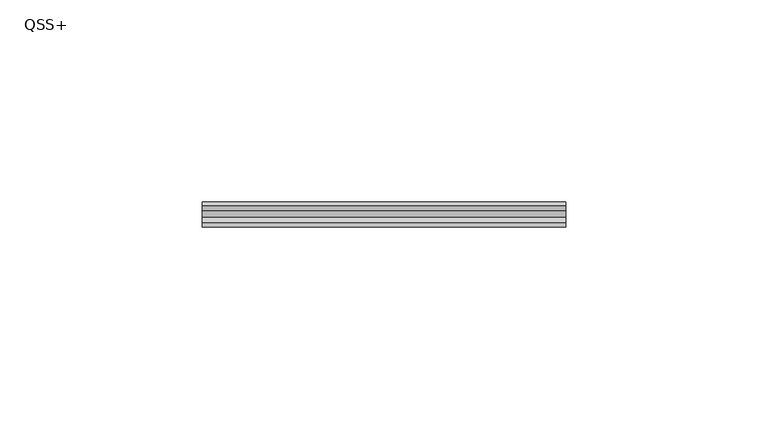
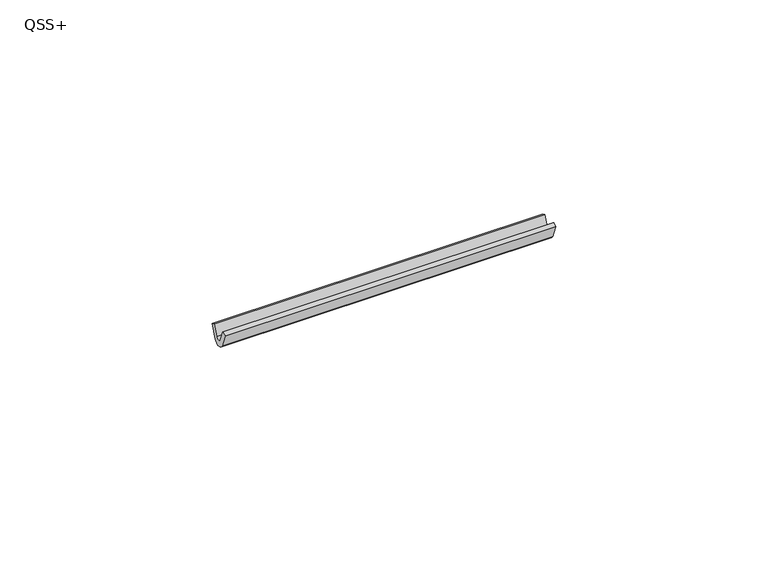
"""IFC4 building model written with IfcOpenShell, lengths in millimetres: proxy geometry, QSS+."""

import ifcopenshell
import ifcopenshell.guid

model = None  # the IFC model being written
_history = None  # IfcOwnerHistory: only IFC2X3 demands one
_inside = {}  # id of a spatial element -> (the spatial element, [elements in it])
_under = {}  # id of a project, library or spatial element -> (it, [spatial elements below it])
_declared = {}  # id of a project -> (the project, [libraries it declares])
_typed = {}  # id of a type object -> (the type object, [elements of that type])
_made_of = {}  # id of a material, layer set ... -> (it, [elements and type objects made of it])


def new_model(schema):
    """Start an empty IFC model of exactly this schema.

    Asked for "IFC4X3", IfcOpenShell would pick the latest addendum, in which some entities
    have other attributes; the version numbers below select the first issue.
    IFC2X3 requires an IfcOwnerHistory on every rooted entity: one is made here for all.
    """
    global model, _history
    if schema == "IFC4X3":
        model = ifcopenshell.file(schema_version=(4, 3, 0, 0))
    else:
        model = ifcopenshell.file(schema=schema)
    _inside.clear()
    _under.clear()
    _declared.clear()
    _typed.clear()
    _made_of.clear()
    _history = None
    if model.schema == "IFC2X3":
        org = make("IfcOrganization", Name="unknown")
        user = make(
            "IfcPersonAndOrganization",
            ThePerson=make("IfcPerson", FamilyName="unknown"),
            TheOrganization=org,
        )
        app = make(
            "IfcApplication",
            ApplicationDeveloper=org,
            Version="unknown",
            ApplicationFullName="unknown",
            ApplicationIdentifier="unknown",
        )
        _history = make(
            "IfcOwnerHistory",
            OwningUser=user,
            OwningApplication=app,
            ChangeAction="ADDED",
            CreationDate=0,
        )
    return model


def make(cls, **values):
    """One entity of the class cls with the attributes given. An attribute that is None is left unset."""
    return model.create_entity(
        cls, **{name: value for name, value in values.items() if value is not None}
    )


def rooted(cls, **values):
    """An entity with a GlobalId (a new one), such as an element, a storey or a relation."""
    return make(cls, GlobalId=ifcopenshell.guid.new(), OwnerHistory=_history, **values)


def si_unit(unit_type, name, prefix=None):
    """IfcSIUnit, for example si_unit("LENGTHUNIT", "METRE", prefix="MILLI")."""
    return make("IfcSIUnit", UnitType=unit_type, Prefix=prefix, Name=name)


def assignment(units):
    """IfcUnitAssignment: the units of a project."""
    return None if units is None else make("IfcUnitAssignment", Units=units)


def point(xyz):
    """IfcCartesianPoint."""
    return None if xyz is None else make("IfcCartesianPoint", Coordinates=xyz)


def direction(xyz):
    """IfcDirection."""
    return None if xyz is None else make("IfcDirection", DirectionRatios=xyz)


def frame(location, z_axis=None, x_axis=None):
    """IfcAxis2Placement3D, a coordinate frame: its origin and axes. An axis left out is left unset."""
    return make(
        "IfcAxis2Placement3D",
        Location=point(location),
        Axis=direction(z_axis),
        RefDirection=direction(x_axis),
    )


def frame_2d(location, x_axis=None):
    """IfcAxis2Placement2D, a coordinate frame in the plane: its origin and x axis."""
    return make(
        "IfcAxis2Placement2D", Location=point(location), RefDirection=direction(x_axis)
    )


def origin():
    """The frame at (0, 0, 0) with its axes left unset."""
    return frame((0.0, 0.0, 0.0))


def place(relative_to, where):
    """IfcLocalPlacement: puts the frame where relative to a parent placement (None: the world)."""
    return make(
        "IfcLocalPlacement", PlacementRelTo=relative_to, RelativePlacement=where
    )


def context(
    kind, dimensions, precision=None, world=None, true_north=None, identifier=None
):
    """IfcGeometricRepresentationContext, for example the 3D "Model" context."""
    return make(
        "IfcGeometricRepresentationContext",
        ContextIdentifier=identifier,
        ContextType=kind,
        CoordinateSpaceDimension=dimensions,
        Precision=precision,
        WorldCoordinateSystem=world,
        TrueNorth=true_north,
    )


def project(units=None, contexts=None):
    """IfcProject with its units and contexts."""
    return rooted(
        "IfcProject",
        Name="project",
        RepresentationContexts=contexts,
        UnitsInContext=assignment(units),
    )


def spatial(cls, under=None, at=None, **own):
    """A site, building, storey or space (cls), placed at a placement, below another one or the project."""
    s = rooted(cls, ObjectPlacement=at, **own)
    if under is not None:
        _under.setdefault(under.id(), (under, []))[1].append(s)
    return s


def polyline(points):
    """IfcPolyline through the points."""
    return make("IfcPolyline", Points=[point(p) for p in points])


def circle_curve(where, radius):
    """IfcCircle in the frame where."""
    return make("IfcCircle", Position=where, Radius=radius)


def trimmed(basis, trim1, trim2, sense, master):
    """IfcTrimmedCurve: the piece of a basis curve between two trims."""
    return make(
        "IfcTrimmedCurve",
        BasisCurve=basis,
        Trim1=trim1,
        Trim2=trim2,
        SenseAgreement=sense,
        MasterRepresentation=master,
    )


def segment(curve, same_sense, transition):
    """IfcCompositeCurveSegment."""
    return make(
        "IfcCompositeCurveSegment",
        Transition=transition,
        SameSense=same_sense,
        ParentCurve=curve,
    )


def composite_curve(segments, self_intersect=None):
    """IfcCompositeCurve: segments joined end to end."""
    return make("IfcCompositeCurve", Segments=segments, SelfIntersect=self_intersect)


def outline(outer, holes=None, kind="AREA"):
    """IfcArbitraryClosedProfileDef: a profile drawn as a closed curve; with holes, ...WithVoids."""
    if holes is None:
        return make("IfcArbitraryClosedProfileDef", ProfileType=kind, OuterCurve=outer)
    return make(
        "IfcArbitraryProfileDefWithVoids",
        ProfileType=kind,
        OuterCurve=outer,
        InnerCurves=holes,
    )


def extrude(swept, where, along, depth):
    """IfcExtrudedAreaSolid: the profile swept, set in the frame where, extruded along a direction by depth."""
    return make(
        "IfcExtrudedAreaSolid",
        SweptArea=swept,
        Position=where,
        ExtrudedDirection=direction(along),
        Depth=depth,
    )


def shape(context_of_items, identifier, shape_type, items):
    """IfcShapeRepresentation: the items that make up one representation, for example the "Body"."""
    return make(
        "IfcShapeRepresentation",
        ContextOfItems=context_of_items,
        RepresentationIdentifier=identifier,
        RepresentationType=shape_type,
        Items=items,
    )


def source(mapping_origin, context_of_items, identifier, shape_type, items):
    """IfcRepresentationMap: a shape defined once, which mapped items show again and again."""
    return make(
        "IfcRepresentationMap",
        MappingOrigin=mapping_origin,
        MappedRepresentation=shape(context_of_items, identifier, shape_type, items),
    )


def transform(
    local_origin,
    x_axis=None,
    y_axis=None,
    z_axis=None,
    scale=None,
    scale2=None,
    scale3=None,
    uniform=True,
):
    """IfcCartesianTransformationOperator3D, or its non-uniform kind. x_axis, y_axis, z_axis: its Axis1, 2, 3."""
    if uniform:
        return make(
            "IfcCartesianTransformationOperator3D",
            Axis1=direction(x_axis),
            Axis2=direction(y_axis),
            LocalOrigin=point(local_origin),
            Scale=scale,
            Axis3=direction(z_axis),
        )
    return make(
        "IfcCartesianTransformationOperator3DnonUniform",
        Axis1=direction(x_axis),
        Axis2=direction(y_axis),
        LocalOrigin=point(local_origin),
        Scale=scale,
        Axis3=direction(z_axis),
        Scale2=scale2,
        Scale3=scale3,
    )


def mapped(mapping_source, mapping_target):
    """IfcMappedItem: shows the shape of a source again, moved by a transform."""
    return make(
        "IfcMappedItem", MappingSource=mapping_source, MappingTarget=mapping_target
    )


def made_of(thing, what):
    """Note that an element or type object is made of a material, layer set ...; save() writes the relation."""
    if what is not None:
        _made_of.setdefault(what.id(), (what, []))[1].append(thing)
    return thing


def element(
    cls,
    number,
    at=None,
    inside=None,
    cuts=None,
    type_object=None,
    material=None,
    context=None,
    identifier="Body",
    shape_type=None,
    held_by="IfcProductDefinitionShape",
    body=None,
    shapes=None,
    **own,
):
    """One element of the class cls, such as IfcWall. Its Tag is "e" and its number.

    at: its placement. inside: the storey or other place that contains it. cuts: it is an
    opening in that element (IfcRelVoidsElement). A single representation is given by context,
    identifier, shape_type and body (its items); several are given by shapes. held_by: the class
    of the entity that holds the representations. save() writes the other relations.
    """
    e = rooted(cls, Tag="e%d" % number, ObjectPlacement=at, **own)
    if body is not None:
        shapes = [shape(context, identifier, shape_type, body)]
    if shapes is not None:
        e.Representation = make(held_by, Representations=shapes)
    if inside is not None:
        _inside.setdefault(inside.id(), (inside, []))[1].append(e)
    if cuts is not None:
        rooted(
            "IfcRelVoidsElement", RelatingBuildingElement=cuts, RelatedOpeningElement=e
        )
    if type_object is not None:
        _typed.setdefault(type_object.id(), (type_object, []))[1].append(e)
    return made_of(e, material)


def aggregate(whole, parts):
    """IfcRelAggregates: a whole, such as a stair, and the parts it consists of."""
    return rooted("IfcRelAggregates", RelatingObject=whole, RelatedObjects=parts)


def save(model, path):
    """Write the relations noted so far, then the file.

    IfcRelAggregates (storeys below a building ...), IfcRelContainedInSpatialStructure (elements
    in a storey), IfcRelDefinesByType, IfcRelAssociatesMaterial and IfcRelDeclares: one each for
    every whole, place, type object, material and project.
    """
    for whole, parts in _under.values():
        aggregate(whole, parts)
    for where, things in _inside.values():
        rooted(
            "IfcRelContainedInSpatialStructure",
            RelatedElements=things,
            RelatingStructure=where,
        )
    for kind, things in _typed.values():
        rooted("IfcRelDefinesByType", RelatedObjects=things, RelatingType=kind)
    for what, things in _made_of.values():
        rooted("IfcRelAssociatesMaterial", RelatedObjects=things, RelatingMaterial=what)
    for by, libraries in _declared.values():
        rooted("IfcRelDeclares", RelatingContext=by, RelatedDefinitions=libraries)
    model.write(path)


def qss_6f6cfef8(model_context):
    return source(origin(), model_context, "Body", "SweptSolid", [
        extrude(outline(composite_curve([segment(trimmed(circle_curve(frame_2d((0.0, 1.7352794)), 1.7352794), [point((1.6031891, 1.0712167))], [point((-1.6031891, 1.0712167))], False, "CARTESIAN"), True, "CONTINUOUS"), segment(polyline([(-1.6031891, 1.0712167), (-3.1488593, 4.8027946), (-2.040439, 5.2619174), (-0.7503789, 2.1474369)]), True, "CONTINUOUS"), segment(trimmed(circle_curve(frame_2d((0.1081015, 2.5030311)), 0.9292125), [point((-0.7503789, 2.1474369))], [point((0.9665819, 2.1474369))], True, "CARTESIAN"), True, "CONTINUOUS"), segment(polyline([(0.9665819, 2.1474369), (2.1774077, 5.0706291), (3.1012873, 4.6879456), (1.6031891, 1.0712167)]), True, "CONTINUOUS")], self_intersect=False)), frame((-45.0, 0.0, 0.0), z_axis=(1.0, 0.0, 0.0), x_axis=(0.0, 1.0, 0.0)), (0.0, 0.0, 1.0), 90.0),
    ])


if __name__ == "__main__":
    model = new_model("IFC4")
    model_context = context("Model", 3, world=origin())
    ifc_project = project(units=[si_unit("LENGTHUNIT", "METRE", prefix="MILLI")], contexts=[model_context])
    site = spatial("IfcSite", under=ifc_project)
    building = spatial("IfcBuilding", under=site)
    placement = place(None, origin())
    qss_shape = qss_6f6cfef8(model_context)
    element("IfcBuildingElementProxy", 1, Name="QSS+", ObjectType="QSS+", at=placement, inside=building, context=model_context, shape_type="MappedRepresentation", body=[
        mapped(qss_shape, transform((0.0, 0.0, 0.0), x_axis=(1.0, 0.0, 0.0), y_axis=(0.0, 1.0, 0.0), z_axis=(0.0, 0.0, 1.0))),
    ])
    save(model, "model.ifc")
